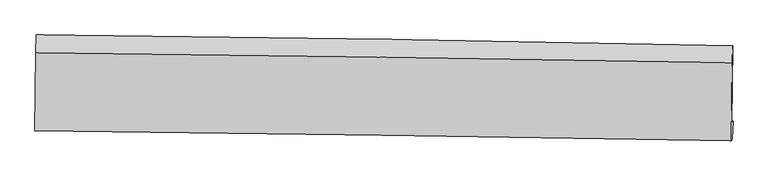
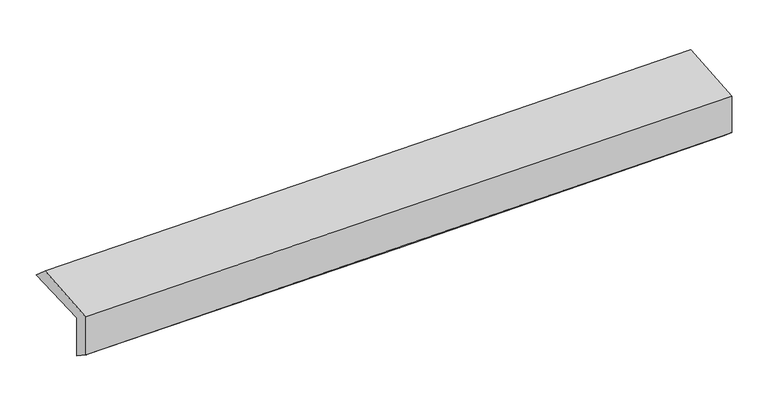
"""IFC4 building model written with IfcOpenShell, lengths in millimetres: proxy geometry."""

from ifc_helpers import new_model, si_unit, frame, origin, place, context, project, spatial, source, transform, mapped, element, save
from ifc_brep_helpers import plane_surface, spline_curve, spline_surface, advanced_brep


def generic_models_bb8d4cc1(model_context):
    return source(origin(), model_context, "Body", "AdvancedBrep", [
        advanced_brep(
        [(-3009.5352518, -1765.0733708, 1967.8466914), (-3001.6894042, -1089.8374239, 1978.5194234), (2995.4995859, -1183.1754738, 2133.596531), (2987.3191326, -1847.9336195, 2110.0152155), (-2999.7113529, -1748.2431274, 1574.3856311), (2997.3238754, -1833.785074, 1707.6965133), (-3004.0867913, -1898.1222278, 1679.7247009), (2992.1729473, -1986.5104912, 1836.3321175), (-3013.7192911, -1914.6245673, 2065.5199545), (2982.8261925, -2002.5232943, 2210.6828843), (-3006.8367346, -1245.0756544, 2112.7920146), (2990.5481062, -1327.9950975, 2258.3264486)],
        [
            (0, 1),
            (1, 2, spline_curve(3, [(-3001.6894042, -1089.8374239, 1978.5194234), (-2001.630208356, -1098.371492763, 1986.580336813), (-1001.836718017, -1110.416655777, 2003.533804942), (997.226282924, -1141.529287059, 2055.226041982), (1996.495789019, -1160.596807019, 2089.964943284), (2995.4995859, -1183.1754738, 2133.596531)], [4, 2, 4], [0.0, 9.842013390351415, 19.684099940486725])),
            (2, 3),
            (3, 0, spline_curve(3, [(2987.3191326, -1847.9336195, 2110.0152155), (1988.220289377, -1830.590633722, 2072.831514955), (988.931144381, -1815.014100776, 2042.392268875), (-1010.020319889, -1787.394044279, 1995.002861257), (-2009.682636208, -1775.350494025, 1978.052599457), (-3009.5352518, -1765.0733708, 1967.8466914)], [4, 2, 4], [0.0, 9.84208655013531, 19.684099940486725])),
            (4, 0),
            (3, 5),
            (5, 4, spline_curve(3, [(2997.3238754, -1833.785074, 1707.6965133), (1998.300859776, -1814.816419719, 1668.283109847), (999.03455791, -1798.203579562, 1637.467158655), (-999.977188595, -1769.689632216, 1593.030325703), (-1999.722629572, -1757.788490589, 1579.409316352), (-2999.7113529, -1748.2431274, 1574.3856311)], [4, 2, 4], [0.0, 9.841417734228854, 19.682762313645362])),
            (6, 4),
            (5, 7),
            (7, 6, spline_curve(3, [(2992.1729473, -1986.5104912, 1836.3321175), (1993.003265856, -1966.93683379, 1804.412325242), (993.728256052, -1949.784297846, 1775.401773084), (-1005.024991697, -1920.321579458, 1723.199344137), (-2004.503228201, -1908.011360529, 1700.007423813), (-3004.0867913, -1898.1222278, 1679.7247009)], [4, 2, 4], [0.0, 9.841154831960882, 19.682236511063664])),
            (8, 6),
            (7, 9),
            (9, 8, spline_curve(3, [(2982.8261925, -2002.5232943, 2210.6828843), (1983.492857279, -1983.230007443, 2185.317658563), (984.112208483, -1966.258451544, 2160.5380922), (-1014.736286774, -1936.958910354, 2112.150457442), (-2014.204132424, -1924.630890592, 2088.542380756), (-3013.7192911, -1914.6245673, 2065.5199545)], [4, 2, 4], [0.0, 9.840881266914629, 19.681689383004667])),
            (10, 8),
            (9, 11),
            (11, 10, spline_curve(3, [(2990.5481062, -1327.9950975, 2258.3264486), (1991.055840731, -1311.194662208, 2232.781843842), (991.525780509, -1295.884470815, 2207.881629207), (-1007.60250056, -1268.244678514, 2159.370160696), (-2007.200720217, -1255.915055543, 2135.758897447), (-3006.8367346, -1245.0756544, 2112.7920146)], [4, 2, 4], [0.0, 9.841483750210623, 19.68289434511818])),
            (1, 10),
            (11, 2),
        ],
        [
            spline_surface(3, 3, [[(-3009.5352518, -1765.0733708, 1967.8466914), (-2009.682636303, -1775.350494066, 1978.052599306), (-1010.020319903, -1787.394044197, 1995.002861184), (988.931144394, -1815.014100858, 2042.392268948), (1988.220289458, -1830.590633583, 2072.831515107), (2987.3191326, -1847.9336195, 2110.0152155)], [(-3006.919969262, -1539.99472186, 1971.404268717), (-2006.998493671, -1549.690826951, 1980.895178511), (-1007.292452562, -1561.734914781, 1997.846509104), (991.696190517, -1590.519162912, 2046.67019328), (1990.978789281, -1607.259358054, 2078.542657783), (2990.045950362, -1626.347570907, 2117.875653991)], [(-3004.304686738, -1314.91607284, 1974.961846083), (-2004.314351052, -1324.031159757, 1983.737757765), (-1004.564585209, -1336.075785299, 2000.690157042), (994.461236652, -1366.0242249, 2050.948117631), (1993.737289116, -1383.928082603, 2084.253800485), (2992.772768138, -1404.761522393, 2125.736092509)], [(-3001.6894042, -1089.8374239, 1978.5194234), (-2001.630208419, -1098.371492642, 1986.58033697), (-1001.836717868, -1110.416655883, 2003.533804962), (997.226282775, -1141.529286953, 2055.226041963), (1996.495788938, -1160.596807074, 2089.96494316), (2995.4995859, -1183.1754738, 2133.596531)]], [4, 4], [4, 2, 4], [0.0, 2.2157672032555187], [0.0, 9.842013390351415, 19.684099940486725]),
            spline_surface(3, 3, [[(-2999.7113529, -1748.2431274, 1574.3856311), (-1999.722629419, -1757.788490443, 1579.409316202), (-999.97718854, -1769.689632308, 1593.030325709), (999.034557856, -1798.20357947, 1637.467158649), (1998.300859718, -1814.816419835, 1668.283109832), (2997.3238754, -1833.785074, 1707.6965133)], [(-3002.98598586, -1753.853208513, 1705.539317889), (-2003.042631706, -1763.64249163, 1712.290410592), (-1003.324898982, -1775.591102934, 1727.021170888), (995.666753382, -1803.807086596, 1772.442195435), (1994.940669627, -1820.074491102, 1803.132578255), (2993.988961129, -1838.501255851, 1841.802747365)], [(-3006.26061884, -1759.463289687, 1836.693004611), (-2006.362634016, -1769.496492879, 1845.171504916), (-1006.672609461, -1781.492573571, 1861.012016006), (992.298948869, -1809.410593732, 1907.417232161), (1991.58047955, -1825.332562316, 1937.982046684), (2990.654046871, -1843.217437649, 1975.908981435)], [(-3009.5352518, -1765.0733708, 1967.8466914), (-2009.682636303, -1775.350494066, 1978.052599306), (-1010.020319903, -1787.394044197, 1995.002861184), (988.931144394, -1815.014100858, 2042.392268948), (1988.220289458, -1830.590633583, 2072.831515107), (2987.3191326, -1847.9336195, 2110.0152155)]], [4, 4], [4, 2, 4], [0.0, 1.3252735491479986], [0.0, 9.841344579416509, 19.682762313645362]),
            spline_surface(3, 3, [[(-3004.0867913, -1898.1222278, 1679.7247009), (-2004.503228091, -1908.011360678, 1700.007423944), (-1005.024991713, -1920.321579425, 1723.19934414), (993.728256068, -1949.784297879, 1775.40177308), (1993.00326586, -1966.936833636, 1804.412325103), (2992.1729473, -1986.5104912, 1836.3321175)], [(-3002.628311835, -1848.162527664, 1644.611677627), (-2002.909695202, -1857.937070597, 1659.808054691), (-1003.34239064, -1870.110930391, 1679.809671302), (995.497023346, -1899.257391748, 1729.423568242), (1994.769130477, -1916.230029037, 1759.035920038), (2993.889923331, -1935.602018801, 1793.453582792)], [(-3001.169832365, -1798.202827536, 1609.498654373), (-2001.316162308, -1807.862780524, 1619.608685455), (-1001.659789613, -1819.900281342, 1636.419998548), (997.265790578, -1848.730485601, 1683.445363488), (1996.534995102, -1865.523224435, 1713.659514897), (2995.606899369, -1884.693546399, 1750.575048008)], [(-2999.7113529, -1748.2431274, 1574.3856311), (-1999.722629419, -1757.788490443, 1579.409316202), (-999.97718854, -1769.689632308, 1593.030325709), (999.034557856, -1798.20357947, 1637.467158649), (1998.300859718, -1814.816419835, 1668.283109832), (2997.3238754, -1833.785074, 1707.6965133)]], [4, 4], [4, 2, 4], [0.0, 0.6629393394591627], [0.0, 9.841081679102782, 19.682236511063664]),
            spline_surface(3, 3, [[(-3013.7192911, -1914.6245673, 2065.5199545), (-2014.204132544, -1924.630890609, 2088.542380742), (-1014.73628675, -1936.958910378, 2112.150457547), (984.112208459, -1966.25845152, 2160.538092095), (1983.492857254, -1983.230007434, 2185.31765858), (2982.8261925, -2002.5232943, 2210.6828843)], [(-3010.508457856, -1909.123787467, 1936.921536624), (-2010.970497749, -1919.091047299, 1959.030728466), (-1011.499188436, -1931.413133388, 1982.500086423), (987.31755763, -1960.767066967, 2032.159319102), (1986.662993476, -1977.798949491, 2058.34921408), (2985.941777453, -1997.185693256, 2085.899295359)], [(-3007.297624544, -1903.623007633, 1808.323118776), (-2007.736862886, -1913.551203988, 1829.51907622), (-1008.262090026, -1925.867356415, 1852.849715264), (990.522906897, -1955.275682432, 1903.780546074), (1989.833129639, -1972.367891579, 1931.380769603), (2989.057362347, -1991.848092244, 1961.115706441)], [(-3004.0867913, -1898.1222278, 1679.7247009), (-2004.503228091, -1908.011360678, 1700.007423944), (-1005.024991713, -1920.321579425, 1723.19934414), (993.728256068, -1949.784297879, 1775.40177308), (1993.00326586, -1966.936833636, 1804.412325103), (2992.1729473, -1986.5104912, 1836.3321175)]], [4, 4], [4, 2, 4], [0.0, 1.2713849633632441], [0.0, 9.840808116090038, 19.681689383004667]),
            spline_surface(3, 3, [[(-3006.8367346, -1245.0756544, 2112.7920146), (-2007.200720317, -1255.915055611, 2135.758897317), (-1007.602500434, -1268.244678568, 2159.370160748), (991.525780383, -1295.884470761, 2207.881629154), (1991.055840789, -1311.194662208, 2232.781843751), (2990.5481062, -1327.9950975, 2258.3264486)], [(-3009.130920102, -1468.258625369, 2097.034661241), (-2009.535191061, -1478.820333946, 2120.020058466), (-1009.98042918, -1491.149422484, 2143.630259702), (989.054589768, -1519.342464327, 2192.100450155), (1988.534846259, -1535.206443964, 2216.960448704), (2987.974134948, -1552.83782978, 2242.44526051)], [(-3011.425105598, -1691.441596331, 2081.277307859), (-2011.8696618, -1701.725612274, 2104.281219593), (-1012.358358004, -1714.054166461, 2127.890358593), (986.583399074, -1742.800457954, 2176.319271094), (1986.013851784, -1759.218225679, 2201.139053627), (2985.400163752, -1777.68056202, 2226.56407239)], [(-3013.7192911, -1914.6245673, 2065.5199545), (-2014.204132544, -1924.630890609, 2088.542380742), (-1014.73628675, -1936.958910378, 2112.150457547), (984.112208459, -1966.25845152, 2160.538092095), (1983.492857254, -1983.230007434, 2185.31765858), (2982.8261925, -2002.5232943, 2210.6828843)]], [4, 4], [4, 2, 4], [0.0, 2.2022667463366914], [0.0, 9.841410594907556, 19.68289434511818]),
            spline_surface(3, 3, [[(-3001.6894042, -1089.8374239, 1978.5194234), (-2001.630208419, -1098.371492642, 1986.58033697), (-1001.836717868, -1110.416655883, 2003.533804962), (997.226282775, -1141.529286953, 2055.226041963), (1996.495788938, -1160.596807074, 2089.96494316), (2995.4995859, -1183.1754738, 2133.596531)], [(-3003.405180986, -1141.583500727, 2023.276953802), (-2003.487045704, -1150.886013625, 2036.306523755), (-1003.758645409, -1163.02599678, 2055.479256873), (995.326115292, -1192.981014891, 2106.111237676), (1994.682472899, -1210.796092124, 2137.570576673), (2993.849092677, -1231.448681705, 2175.173170183)], [(-3005.120957814, -1193.329577573, 2068.034484198), (-2005.343883032, -1203.400534628, 2086.032710533), (-1005.680572894, -1215.635337671, 2107.424708837), (993.425947865, -1244.432742823, 2156.996433441), (1992.869156829, -1260.995377158, 2185.176210238), (2992.198599423, -1279.721889595, 2216.749809417)], [(-3006.8367346, -1245.0756544, 2112.7920146), (-2007.200720317, -1255.915055611, 2135.758897317), (-1007.602500434, -1268.244678568, 2159.370160748), (991.525780383, -1295.884470761, 2207.881629154), (1991.055840789, -1311.194662208, 2232.781843751), (2990.5481062, -1327.9950975, 2258.3264486)]], [4, 4], [4, 2, 4], [0.0, 0.7202117608939479], [0.0, 9.842325864808332, 19.684724891723313]),
            plane_surface(frame((2990.9483066, -1696.987175, 2042.7749517), z_axis=(0.9996156862276218, -0.01316656039840984, 0.02439511293181511), x_axis=(0.02493733829777594, 0.04272249511416857, -0.9987757093411124))),
            plane_surface(frame((-3005.9298043, -1610.1627286, 1896.464736), z_axis=(-0.9996291274117982, 0.012001487493203422, -0.02444528436892458), x_axis=(-0.011617181215539693, -0.9998076363936181, -0.015802889280506337))),
        ],
        [
            (0, [[1, 2, 3, 4]]),
            (1, [[5, -4, 6, 7]]),
            (2, [[8, -7, 9, 10]]),
            (3, [[11, -10, 12, 13]]),
            (4, [[14, -13, 15, 16]]),
            (5, [[17, -16, 18, -2]]),
            (6, [[-12, -9, -6, -3, -18, -15]]),
            (7, [[-1, -5, -8, -11, -14, -17]]),
        ],
    ),
    ])


if __name__ == "__main__":
    model = new_model("IFC4")
    model_context = context("Model", 3, world=origin())
    ifc_project = project(units=[si_unit("LENGTHUNIT", "METRE", prefix="MILLI")], contexts=[model_context])
    site = spatial("IfcSite", under=ifc_project)
    building = spatial("IfcBuilding", under=site)
    placement = place(None, origin())
    generic_models_shape = generic_models_bb8d4cc1(model_context)
    element("IfcBuildingElementProxy", 1, Name="Generic Models", at=placement, inside=building, context=model_context, shape_type="MappedRepresentation", body=[
        mapped(generic_models_shape, transform((0.0, 0.0, 0.0), x_axis=(1.0, 0.0, 0.0), y_axis=(0.0, 1.0, 0.0), z_axis=(0.0, 0.0, 1.0))),
    ])
    save(model, "model.ifc")
